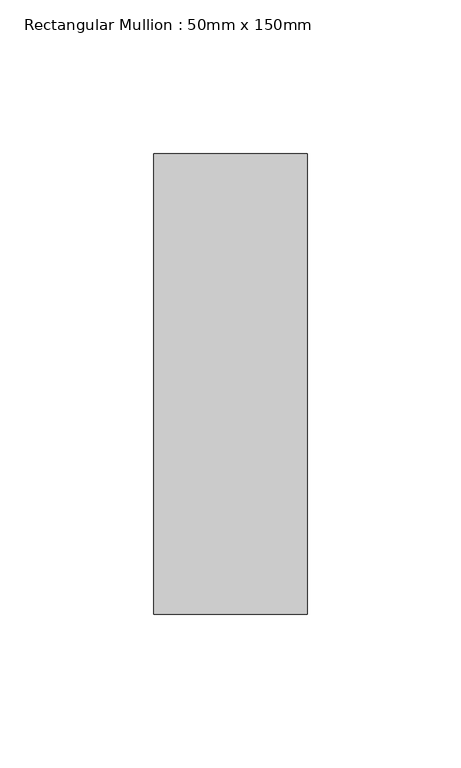
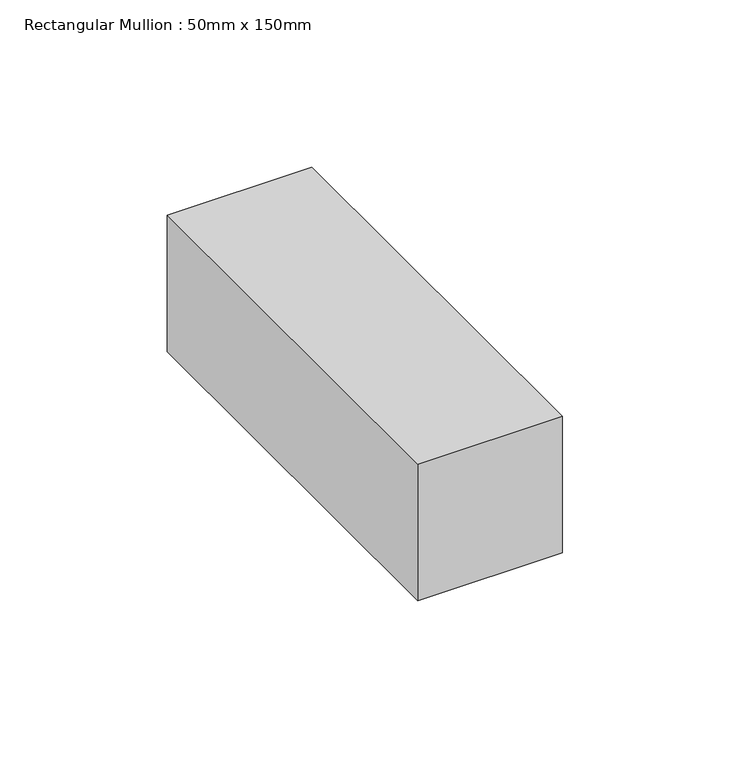
"""IFC4 building model written with IfcOpenShell, lengths in millimetres: member geometry, Rectangular Mullion : 50mm x 150mm."""

from ifc_helpers import new_model, si_unit, frame, origin, place, context, project, spatial, polyline, outline, extrude, source, transform, mapped, element, save


def rectangular_mullion_50mm_x_150mm_6eb1744c(model_context):
    return source(origin(), model_context, "Body", "SweptSolid", [
        extrude(outline(polyline([(25.0, 75.0), (25.0, -75.0), (-25.0, -75.0), (-25.0, 75.0), (25.0, 75.0)])), frame((0.0, 0.0, -50.0), z_axis=(0.0, 0.0, 1.0), x_axis=(1.0, 0.0, 0.0)), (0.0, 0.0, 1.0), 50.0),
    ])


if __name__ == "__main__":
    model = new_model("IFC4")
    model_context = context("Model", 3, world=origin())
    ifc_project = project(units=[si_unit("LENGTHUNIT", "METRE", prefix="MILLI")], contexts=[model_context])
    site = spatial("IfcSite", under=ifc_project)
    building = spatial("IfcBuilding", under=site)
    placement = place(None, origin())
    rectangular_mullion_50mm_x_150mm_shape = rectangular_mullion_50mm_x_150mm_6eb1744c(model_context)
    element("IfcMember", 1, ObjectType="Rectangular Mullion : 50mm x 150mm", at=placement, inside=building, context=model_context, shape_type="MappedRepresentation", body=[
        mapped(rectangular_mullion_50mm_x_150mm_shape, transform((0.0, 0.0, 0.0), x_axis=(1.0, 0.0, 0.0), y_axis=(0.0, 1.0, 0.0), z_axis=(0.0, 0.0, 1.0))),
    ])
    save(model, "model.ifc")
